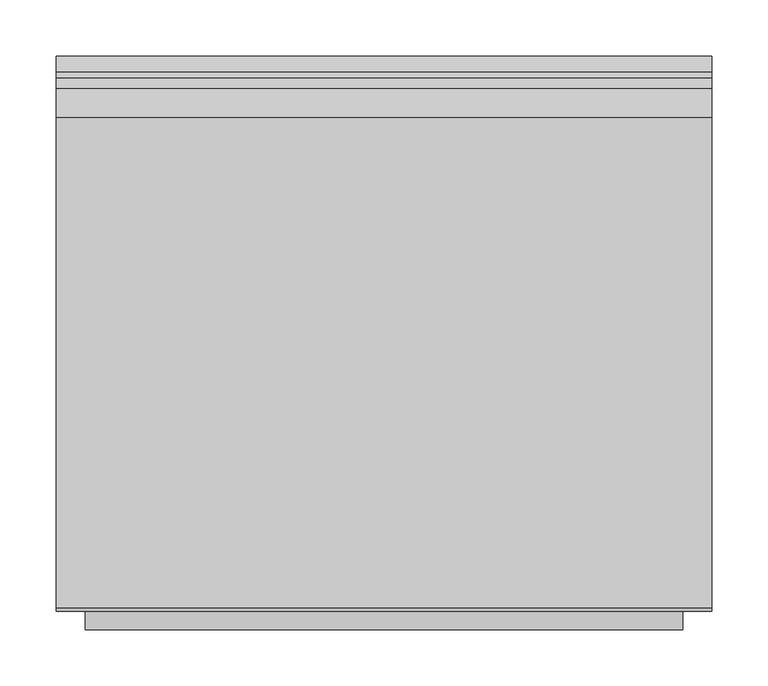
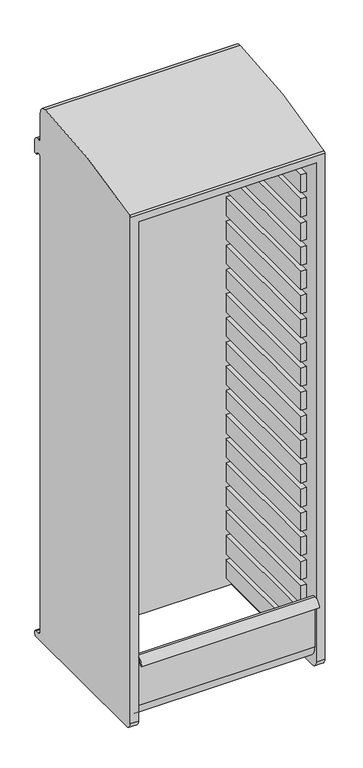
"""IFC4 building model written with IfcOpenShell, lengths in millimetres: furniture geometry."""

from ifc_helpers import new_model, si_unit, point, frame, frame_2d, origin, place, context, project, spatial, polyline, circle_curve, trimmed, segment, composite_curve, outline, extrude, source, transform, mapped, element, save
from ifc_brep_helpers import plane_surface, cylinder_surface, revolved_surface, advanced_brep


def furniture_45599920(model_context):
    return source(origin(), model_context, "Body", "SolidModel", [
        extrude(outline(polyline([(-249.2375, -195.2625), (-265.1125, -195.2625), (-265.1125, 192.0875), (-249.2375, 192.0875), (-249.2375, -195.2625)])), frame((0.0, 0.0, 552.45), z_axis=(0.0, 0.0, 1.0), x_axis=(1.0, 0.0, 0.0)), (0.0, 0.0, 1.0), 57.15),
        extrude(outline(polyline([(265.1125, -195.2625), (249.2375, -195.2625), (249.2375, 192.0875), (265.1125, 192.0875), (265.1125, -195.2625)])), frame((0.0, 0.0, 552.45), z_axis=(0.0, 0.0, 1.0), x_axis=(1.0, 0.0, 0.0)), (0.0, 0.0, 1.0), 57.15),
        extrude(outline(polyline([(-249.2375, -195.2625), (-265.1125, -195.2625), (-265.1125, 192.0875), (-249.2375, 192.0875), (-249.2375, -195.2625)])), frame((0.0, 0.0, 476.25), z_axis=(0.0, 0.0, 1.0), x_axis=(1.0, 0.0, 0.0)), (0.0, 0.0, 1.0), 57.15),
        extrude(outline(polyline([(265.1125, -195.2625), (249.2375, -195.2625), (249.2375, 192.0875), (265.1125, 192.0875), (265.1125, -195.2625)])), frame((0.0, 0.0, 476.25), z_axis=(0.0, 0.0, 1.0), x_axis=(1.0, 0.0, 0.0)), (0.0, 0.0, 1.0), 57.15),
        extrude(outline(polyline([(-249.2375, -195.2625), (-265.1125, -195.2625), (-265.1125, 192.0875), (-249.2375, 192.0875), (-249.2375, -195.2625)])), frame((0.0, 0.0, 400.05), z_axis=(0.0, 0.0, 1.0), x_axis=(1.0, 0.0, 0.0)), (0.0, 0.0, 1.0), 57.15),
        extrude(outline(polyline([(265.1125, -195.2625), (249.2375, -195.2625), (249.2375, 192.0875), (265.1125, 192.0875), (265.1125, -195.2625)])), frame((0.0, 0.0, 400.05), z_axis=(0.0, 0.0, 1.0), x_axis=(1.0, 0.0, 0.0)), (0.0, 0.0, 1.0), 57.15),
        extrude(outline(polyline([(-249.2375, -195.2625), (-265.1125, -195.2625), (-265.1125, 192.0875), (-249.2375, 192.0875), (-249.2375, -195.2625)])), frame((0.0, 0.0, 323.85), z_axis=(0.0, 0.0, 1.0), x_axis=(1.0, 0.0, 0.0)), (0.0, 0.0, 1.0), 57.15),
        extrude(outline(polyline([(265.1125, -195.2625), (249.2375, -195.2625), (249.2375, 192.0875), (265.1125, 192.0875), (265.1125, -195.2625)])), frame((0.0, 0.0, 323.85), z_axis=(0.0, 0.0, 1.0), x_axis=(1.0, 0.0, 0.0)), (0.0, 0.0, 1.0), 57.15),
        extrude(outline(polyline([(-249.2375, -195.2625), (-265.1125, -195.2625), (-265.1125, 192.0875), (-249.2375, 192.0875), (-249.2375, -195.2625)])), frame((0.0, 0.0, 857.25), z_axis=(0.0, 0.0, 1.0), x_axis=(1.0, 0.0, 0.0)), (0.0, 0.0, 1.0), 57.15),
        extrude(outline(polyline([(265.1125, -195.2625), (249.2375, -195.2625), (249.2375, 192.0875), (265.1125, 192.0875), (265.1125, -195.2625)])), frame((0.0, 0.0, 857.25), z_axis=(0.0, 0.0, 1.0), x_axis=(1.0, 0.0, 0.0)), (0.0, 0.0, 1.0), 57.15),
        extrude(outline(polyline([(-249.2375, -195.2625), (-265.1125, -195.2625), (-265.1125, 192.0875), (-249.2375, 192.0875), (-249.2375, -195.2625)])), frame((0.0, 0.0, 781.05), z_axis=(0.0, 0.0, 1.0), x_axis=(1.0, 0.0, 0.0)), (0.0, 0.0, 1.0), 57.15),
        extrude(outline(polyline([(265.1125, -195.2625), (249.2375, -195.2625), (249.2375, 192.0875), (265.1125, 192.0875), (265.1125, -195.2625)])), frame((0.0, 0.0, 781.05), z_axis=(0.0, 0.0, 1.0), x_axis=(1.0, 0.0, 0.0)), (0.0, 0.0, 1.0), 57.15),
        extrude(outline(polyline([(-249.2375, -195.2625), (-265.1125, -195.2625), (-265.1125, 192.0875), (-249.2375, 192.0875), (-249.2375, -195.2625)])), frame((0.0, 0.0, 704.85), z_axis=(0.0, 0.0, 1.0), x_axis=(1.0, 0.0, 0.0)), (0.0, 0.0, 1.0), 57.15),
        extrude(outline(polyline([(265.1125, -195.2625), (249.2375, -195.2625), (249.2375, 192.0875), (265.1125, 192.0875), (265.1125, -195.2625)])), frame((0.0, 0.0, 704.85), z_axis=(0.0, 0.0, 1.0), x_axis=(1.0, 0.0, 0.0)), (0.0, 0.0, 1.0), 57.15),
        extrude(outline(polyline([(-249.2375, -195.2625), (-265.1125, -195.2625), (-265.1125, 192.0875), (-249.2375, 192.0875), (-249.2375, -195.2625)])), frame((0.0, 0.0, 628.65), z_axis=(0.0, 0.0, 1.0), x_axis=(1.0, 0.0, 0.0)), (0.0, 0.0, 1.0), 57.15),
        extrude(outline(polyline([(265.1125, -195.2625), (249.2375, -195.2625), (249.2375, 192.0875), (265.1125, 192.0875), (265.1125, -195.2625)])), frame((0.0, 0.0, 628.65), z_axis=(0.0, 0.0, 1.0), x_axis=(1.0, 0.0, 0.0)), (0.0, 0.0, 1.0), 57.15),
        extrude(outline(polyline([(-249.2375, -195.2625), (-265.1125, -195.2625), (-265.1125, 192.0875), (-249.2375, 192.0875), (-249.2375, -195.2625)])), frame((0.0, 0.0, 1162.05), z_axis=(0.0, 0.0, 1.0), x_axis=(1.0, 0.0, 0.0)), (0.0, 0.0, 1.0), 57.15),
        extrude(outline(polyline([(265.1125, -195.2625), (249.2375, -195.2625), (249.2375, 192.0875), (265.1125, 192.0875), (265.1125, -195.2625)])), frame((0.0, 0.0, 1162.05), z_axis=(0.0, 0.0, 1.0), x_axis=(1.0, 0.0, 0.0)), (0.0, 0.0, 1.0), 57.15),
        extrude(outline(polyline([(-249.2375, -195.2625), (-265.1125, -195.2625), (-265.1125, 192.0875), (-249.2375, 192.0875), (-249.2375, -195.2625)])), frame((0.0, 0.0, 1085.85), z_axis=(0.0, 0.0, 1.0), x_axis=(1.0, 0.0, 0.0)), (0.0, 0.0, 1.0), 57.15),
        extrude(outline(polyline([(265.1125, -195.2625), (249.2375, -195.2625), (249.2375, 192.0875), (265.1125, 192.0875), (265.1125, -195.2625)])), frame((0.0, 0.0, 1085.85), z_axis=(0.0, 0.0, 1.0), x_axis=(1.0, 0.0, 0.0)), (0.0, 0.0, 1.0), 57.15),
        extrude(outline(polyline([(-249.2375, -195.2625), (-265.1125, -195.2625), (-265.1125, 192.0875), (-249.2375, 192.0875), (-249.2375, -195.2625)])), frame((0.0, 0.0, 1009.65), z_axis=(0.0, 0.0, 1.0), x_axis=(1.0, 0.0, 0.0)), (0.0, 0.0, 1.0), 57.15),
        extrude(outline(polyline([(265.1125, -195.2625), (249.2375, -195.2625), (249.2375, 192.0875), (265.1125, 192.0875), (265.1125, -195.2625)])), frame((0.0, 0.0, 1009.65), z_axis=(0.0, 0.0, 1.0), x_axis=(1.0, 0.0, 0.0)), (0.0, 0.0, 1.0), 57.15),
        extrude(outline(polyline([(-249.2375, -195.2625), (-265.1125, -195.2625), (-265.1125, 192.0875), (-249.2375, 192.0875), (-249.2375, -195.2625)])), frame((0.0, 0.0, 933.45), z_axis=(0.0, 0.0, 1.0), x_axis=(1.0, 0.0, 0.0)), (0.0, 0.0, 1.0), 57.15),
        extrude(outline(polyline([(265.1125, -195.2625), (249.2375, -195.2625), (249.2375, 192.0875), (265.1125, 192.0875), (265.1125, -195.2625)])), frame((0.0, 0.0, 933.45), z_axis=(0.0, 0.0, 1.0), x_axis=(1.0, 0.0, 0.0)), (0.0, 0.0, 1.0), 57.15),
        extrude(outline(polyline([(-249.2375, -195.2625), (-265.1125, -195.2625), (-265.1125, 192.0875), (-249.2375, 192.0875), (-249.2375, -195.2625)])), frame((0.0, 0.0, 1466.85), z_axis=(0.0, 0.0, 1.0), x_axis=(1.0, 0.0, 0.0)), (0.0, 0.0, 1.0), 57.15),
        extrude(outline(polyline([(265.1125, -195.2625), (249.2375, -195.2625), (249.2375, 192.0875), (265.1125, 192.0875), (265.1125, -195.2625)])), frame((0.0, 0.0, 1466.85), z_axis=(0.0, 0.0, 1.0), x_axis=(1.0, 0.0, 0.0)), (0.0, 0.0, 1.0), 57.15),
        extrude(outline(polyline([(-249.2375, -195.2625), (-265.1125, -195.2625), (-265.1125, 192.0875), (-249.2375, 192.0875), (-249.2375, -195.2625)])), frame((0.0, 0.0, 1390.65), z_axis=(0.0, 0.0, 1.0), x_axis=(1.0, 0.0, 0.0)), (0.0, 0.0, 1.0), 57.15),
        extrude(outline(polyline([(265.1125, -195.2625), (249.2375, -195.2625), (249.2375, 192.0875), (265.1125, 192.0875), (265.1125, -195.2625)])), frame((0.0, 0.0, 1390.65), z_axis=(0.0, 0.0, 1.0), x_axis=(1.0, 0.0, 0.0)), (0.0, 0.0, 1.0), 57.15),
        extrude(outline(polyline([(-249.2375, -195.2625), (-265.1125, -195.2625), (-265.1125, 192.0875), (-249.2375, 192.0875), (-249.2375, -195.2625)])), frame((0.0, 0.0, 1314.45), z_axis=(0.0, 0.0, 1.0), x_axis=(1.0, 0.0, 0.0)), (0.0, 0.0, 1.0), 57.15),
        extrude(outline(polyline([(265.1125, -195.2625), (249.2375, -195.2625), (249.2375, 192.0875), (265.1125, 192.0875), (265.1125, -195.2625)])), frame((0.0, 0.0, 1314.45), z_axis=(0.0, 0.0, 1.0), x_axis=(1.0, 0.0, 0.0)), (0.0, 0.0, 1.0), 57.15),
        extrude(outline(polyline([(-249.2375, -195.2625), (-265.1125, -195.2625), (-265.1125, 192.0875), (-249.2375, 192.0875), (-249.2375, -195.2625)])), frame((0.0, 0.0, 1238.25), z_axis=(0.0, 0.0, 1.0), x_axis=(1.0, 0.0, 0.0)), (0.0, 0.0, 1.0), 57.15),
        extrude(outline(polyline([(265.1125, -195.2625), (249.2375, -195.2625), (249.2375, 192.0875), (265.1125, 192.0875), (265.1125, -195.2625)])), frame((0.0, 0.0, 1238.25), z_axis=(0.0, 0.0, 1.0), x_axis=(1.0, 0.0, 0.0)), (0.0, 0.0, 1.0), 57.15),
        extrude(outline(polyline([(-249.2375, -195.2625), (-265.1125, -195.2625), (-265.1125, 192.0875), (-249.2375, 192.0875), (-249.2375, -195.2625)])), frame((0.0, 0.0, 1771.65), z_axis=(0.0, 0.0, 1.0), x_axis=(1.0, 0.0, 0.0)), (0.0, 0.0, 1.0), 57.15),
        extrude(outline(polyline([(265.1125, -195.2625), (249.2375, -195.2625), (249.2375, 192.0875), (265.1125, 192.0875), (265.1125, -195.2625)])), frame((0.0, 0.0, 1771.65), z_axis=(0.0, 0.0, 1.0), x_axis=(1.0, 0.0, 0.0)), (0.0, 0.0, 1.0), 57.15),
        extrude(outline(polyline([(-249.2375, -195.2625), (-265.1125, -195.2625), (-265.1125, 192.0875), (-249.2375, 192.0875), (-249.2375, -195.2625)])), frame((0.0, 0.0, 1695.45), z_axis=(0.0, 0.0, 1.0), x_axis=(1.0, 0.0, 0.0)), (0.0, 0.0, 1.0), 57.15),
        extrude(outline(polyline([(265.1125, -195.2625), (249.2375, -195.2625), (249.2375, 192.0875), (265.1125, 192.0875), (265.1125, -195.2625)])), frame((0.0, 0.0, 1695.45), z_axis=(0.0, 0.0, 1.0), x_axis=(1.0, 0.0, 0.0)), (0.0, 0.0, 1.0), 57.15),
        extrude(outline(polyline([(-249.2375, -195.2625), (-265.1125, -195.2625), (-265.1125, 192.0875), (-249.2375, 192.0875), (-249.2375, -195.2625)])), frame((0.0, 0.0, 1619.25), z_axis=(0.0, 0.0, 1.0), x_axis=(1.0, 0.0, 0.0)), (0.0, 0.0, 1.0), 57.15),
        extrude(outline(polyline([(265.1125, -195.2625), (249.2375, -195.2625), (249.2375, 192.0875), (265.1125, 192.0875), (265.1125, -195.2625)])), frame((0.0, 0.0, 1619.25), z_axis=(0.0, 0.0, 1.0), x_axis=(1.0, 0.0, 0.0)), (0.0, 0.0, 1.0), 57.15),
        extrude(outline(polyline([(-249.2375, -195.2625), (-265.1125, -195.2625), (-265.1125, 192.0875), (-249.2375, 192.0875), (-249.2375, -195.2625)])), frame((0.0, 0.0, 1543.05), z_axis=(0.0, 0.0, 1.0), x_axis=(1.0, 0.0, 0.0)), (0.0, 0.0, 1.0), 57.15),
        extrude(outline(polyline([(265.1125, -195.2625), (249.2375, -195.2625), (249.2375, 192.0875), (265.1125, 192.0875), (265.1125, -195.2625)])), frame((0.0, 0.0, 1543.05), z_axis=(0.0, 0.0, 1.0), x_axis=(1.0, 0.0, 0.0)), (0.0, 0.0, 1.0), 57.15),
        advanced_brep(
        [(290.5125, -246.0625, 317.5), (290.5125, -227.0125, 298.45), (290.5125, 239.7125, 298.45), (290.5125, 246.0625, 304.8), (290.5125, 246.0625, 311.15), (290.5125, 239.7125, 317.5), (290.5125, 228.6, 317.5), (290.5125, 217.4875, 328.6125), (290.5125, 217.4875, 1820.4282764), (290.5125, 236.7359375, 1820.4282764), (290.5125, 246.0625, 1820.4282764), (290.5125, 246.0625, 1858.8967496), (290.5125, 232.4695312, 1872.4897183), (290.5125, 227.1117187, 1872.4897183), (290.5125, 217.4875, 1882.1139371), (290.5125, 217.4875, 1962.15), (290.5125, 192.0875, 1987.55), (290.5125, -242.8127937, 1918.698234), (290.5125, -246.0625, 1913.4436651), (265.1125, -246.0625, 317.5), (265.1125, -227.0125, 298.45), (-290.5125, -246.0625, 317.5), (-290.5125, -227.0125, 298.45), (-265.1125, -227.0125, 298.45), (-265.1125, -246.0625, 317.5), (265.1125, 192.0875, 298.45), (-265.1125, 192.0875, 298.45), (-290.5125, 239.7125, 298.45), (-290.5125, 246.0625, 304.8), (-290.5125, 246.0625, 311.15), (-290.5125, 239.7125, 317.5), (-290.5125, 228.6, 317.5), (-290.5125, 217.4875, 328.6125), (-290.5125, 217.4875, 1820.4282764), (-290.5125, -246.0625, 1913.4436651), (-265.1125, -246.0625, 1892.3), (265.1125, -246.0625, 1892.3), (-290.5125, -242.8127937, 1918.698234), (-290.5125, 192.0875, 1987.55), (-290.5125, 217.4875, 1962.15), (-290.5125, 217.4875, 1882.1139371), (-290.5125, 227.1117187, 1872.4897183), (-290.5125, 232.4695312, 1872.4897183), (-290.5125, 246.0625, 1858.8967496), (-290.5125, 246.0625, 1820.4282764), (-290.5125, 236.7359375, 1820.4282764), (265.1125, 192.0875, 1956.3783426), (-265.1125, 192.0875, 1956.3783426)],
        [
            (0, 1, circle_curve(frame((290.5125, -227.0125, 317.5), z_axis=(1.0, 0.0, 0.0), x_axis=(0.0, 1.0, 0.0)), 19.05)),
            (1, 2),
            (2, 3, circle_curve(frame((290.5125, 239.7125, 304.8), z_axis=(1.0, 0.0, 0.0), x_axis=(0.0, 1.0, 0.0)), 6.35)),
            (3, 4),
            (4, 5, circle_curve(frame((290.5125, 239.7125, 311.15), z_axis=(1.0, 0.0, 0.0), x_axis=(0.0, 1.0, 0.0)), 6.35)),
            (5, 6),
            (6, 7, circle_curve(frame((290.5125, 228.6, 328.6125), z_axis=(-1.0, 0.0, 0.0), x_axis=(0.0, 1.0, 0.0)), 11.1125)),
            (7, 8),
            (8, 9, circle_curve(frame((290.5125, 227.1117187, 1820.4282764), z_axis=(-1.0, 0.0, 0.0), x_axis=(0.0, 1.0, 0.0)), 9.6242188)),
            (9, 10),
            (10, 11),
            (11, 12, circle_curve(frame((290.5125, 232.4695312, 1858.8967496), z_axis=(1.0, 0.0, 0.0), x_axis=(0.0, 1.0, 0.0)), 13.5929687)),
            (12, 13),
            (13, 14, circle_curve(frame((290.5125, 227.1117187, 1882.1139371), z_axis=(-1.0, 0.0, 0.0), x_axis=(0.0, 1.0, 0.0)), 9.6242187)),
            (14, 15),
            (15, 16, circle_curve(frame((290.5125, 192.0875, 1962.15), z_axis=(1.0, 0.0, 0.0), x_axis=(0.0, 1.0, 0.0)), 25.4)),
            (16, 17, circle_curve(frame((290.5125, 219.0245932, 409.4588105), z_axis=(1.0, 0.0, 0.0), x_axis=(0.0, 1.0, 0.0)), 1578.321073)),
            (17, 18, circle_curve(frame((290.5125, -240.1894945, 1913.4436651), z_axis=(1.0, 0.0, 0.0), x_axis=(0.0, 1.0, 0.0)), 5.8730055)),
            (18, 0),
            (0, 19),
            (19, 20, circle_curve(frame((265.1125, -227.0125, 317.5), z_axis=(1.0, 0.0, 0.0), x_axis=(0.0, 1.0, 0.0)), 19.05)),
            (20, 1),
            (21, 22, circle_curve(frame((-290.5125, -227.0125, 317.5), z_axis=(1.0, 0.0, 0.0), x_axis=(0.0, 1.0, 0.0)), 19.05)),
            (22, 23),
            (23, 24, circle_curve(frame((-265.1125, -227.0125, 317.5), z_axis=(-1.0, 0.0, 0.0), x_axis=(0.0, 1.0, 0.0)), 19.05)),
            (24, 21),
            (20, 25),
            (25, 26),
            (26, 23),
            (22, 27),
            (27, 2),
            (27, 28, circle_curve(frame((-290.5125, 239.7125, 304.8), z_axis=(1.0, 0.0, 0.0), x_axis=(0.0, 1.0, 0.0)), 6.35)),
            (28, 3),
            (28, 29),
            (29, 4),
            (29, 30, circle_curve(frame((-290.5125, 239.7125, 311.15), z_axis=(1.0, 0.0, 0.0), x_axis=(0.0, 1.0, 0.0)), 6.35)),
            (30, 5),
            (30, 31),
            (31, 6),
            (31, 32, circle_curve(frame((-290.5125, 228.6, 328.6125), z_axis=(-1.0, 0.0, 0.0), x_axis=(0.0, 1.0, 0.0)), 11.1125)),
            (32, 7),
            (32, 33),
            (33, 8),
            (18, 34),
            (34, 21),
            (24, 35),
            (35, 36),
            (36, 19),
            (34, 37, circle_curve(frame((-290.5125, -240.1894945, 1913.4436651), z_axis=(-1.0, 0.0, 0.0), x_axis=(0.0, 1.0, 0.0)), 5.8730055)),
            (37, 38, circle_curve(frame((-290.5125, 219.0245932, 409.4588105), z_axis=(-1.0, 0.0, 0.0), x_axis=(0.0, 1.0, 0.0)), 1578.321073)),
            (38, 39, circle_curve(frame((-290.5125, 192.0875, 1962.15), z_axis=(-1.0, 0.0, 0.0), x_axis=(0.0, 1.0, 0.0)), 25.4)),
            (39, 40),
            (40, 41, circle_curve(frame((-290.5125, 227.1117187, 1882.1139371), z_axis=(1.0, 0.0, 0.0), x_axis=(0.0, 1.0, 0.0)), 9.6242188)),
            (41, 42),
            (42, 43, circle_curve(frame((-290.5125, 232.4695312, 1858.8967496), z_axis=(-1.0, 0.0, 0.0), x_axis=(0.0, 1.0, 0.0)), 13.5929688)),
            (43, 44),
            (44, 45),
            (45, 33, circle_curve(frame((-290.5125, 227.1117187, 1820.4282764), z_axis=(1.0, 0.0, 0.0), x_axis=(0.0, 1.0, 0.0)), 9.6242188)),
            (36, 46),
            (46, 25),
            (26, 47),
            (47, 35),
            (46, 47),
            (45, 9),
            (44, 10),
            (43, 11),
            (42, 12),
            (41, 13),
            (40, 14),
            (39, 15),
            (38, 16),
            (37, 17),
        ],
        [
            plane_surface(frame((290.5125, -207.9625, 317.5), z_axis=(1.0, 0.0, 0.0), x_axis=(0.0, 0.0, 1.0))),
            cylinder_surface(frame((-290.5125, -227.0125, 317.5), z_axis=(1.0, 0.0, 0.0), x_axis=(0.0, 1.0, 0.0)), 19.05),
            plane_surface(frame((290.5125, -227.0125, 298.45), z_axis=(0.0, 0.0, -1.0), x_axis=(-1.0, 0.0, 0.0))),
            cylinder_surface(frame((-290.5125, 239.7125, 304.8), z_axis=(1.0, 0.0, 0.0), x_axis=(0.0, 1.0, 0.0)), 6.35),
            plane_surface(frame((290.5125, 246.0625, 304.8), z_axis=(0.0, 1.0, 0.0), x_axis=(-1.0, 0.0, 0.0))),
            cylinder_surface(frame((-290.5125, 239.7125, 311.15), z_axis=(1.0, 0.0, 0.0), x_axis=(0.0, 1.0, 0.0)), 6.35),
            plane_surface(frame((290.5125, 239.7125, 317.5), z_axis=(0.0, 0.0, 1.0), x_axis=(-1.0, 0.0, 0.0))),
            revolved_surface(polyline([(-290.5125, 239.7125, 328.6125), (290.5125, 239.7125, 328.6125)]), (-290.5125, 228.6, 328.6125), (-1.0, 0.0, 0.0)),
            plane_surface(frame((290.5125, 217.4875, 328.6125), z_axis=(0.0, 1.0, 0.0), x_axis=(-1.0, 0.0, 0.0))),
            plane_surface(frame((290.5125, -246.0625, 1913.4436651), z_axis=(0.0, -1.0, -1.1655566115944127e-12), x_axis=(-1.0, 0.0, 0.0))),
            plane_surface(frame((-290.5125, -207.9625, 317.5), z_axis=(-1.0, 0.0, 0.0), x_axis=(0.0, 0.0, -1.0))),
            plane_surface(frame((265.1125, 192.0875, 298.45), z_axis=(-1.0, 0.0, 0.0), x_axis=(0.0, 0.0, 1.0))),
            plane_surface(frame((-265.1125, 192.0875, 298.45), z_axis=(1.0, 0.0, 0.0), x_axis=(0.0, 0.0, -1.0))),
            plane_surface(frame((265.1125, 192.0875, 298.45), z_axis=(0.0, -1.0, 0.0), x_axis=(-1.0, 0.0, 0.0))),
            revolved_surface(polyline([(-290.5125, 236.7359375, 1820.4282764), (290.5125, 236.7359375, 1820.4282764)]), (-290.5125, 227.1117187, 1820.4282764), (-1.0, 0.0, 0.0)),
            plane_surface(frame((290.5125, 236.7359375, 1820.4282764), z_axis=(0.0, 0.0, -1.0), x_axis=(-1.0, 0.0, 0.0))),
            plane_surface(frame((290.5125, 246.0625, 1820.4282764), z_axis=(0.0, 1.0, 0.0), x_axis=(-1.0, 0.0, 0.0))),
            cylinder_surface(frame((-290.5125, 232.4695312, 1858.8967496), z_axis=(1.0, 0.0, 0.0), x_axis=(0.0, 1.0, 0.0)), 13.5929687),
            plane_surface(frame((290.5125, 232.4695312, 1872.4897183), z_axis=(0.0, 0.0, 1.0), x_axis=(-1.0, 0.0, 0.0))),
            revolved_surface(polyline([(-290.5125, 236.7359375, 1882.1139371), (290.5125, 236.7359375, 1882.1139371)]), (-290.5125, 227.1117187, 1882.1139371), (-1.0, 0.0, 0.0)),
            plane_surface(frame((290.5125, 217.4875, 1882.1139371), z_axis=(0.0, 1.0, 0.0), x_axis=(-1.0, 0.0, 0.0))),
            cylinder_surface(frame((-290.5125, 192.0875, 1962.15), z_axis=(1.0, 0.0, 0.0), x_axis=(0.0, 1.0, 0.0)), 25.4),
            cylinder_surface(frame((-290.5125, 219.0245932, 409.4588105), z_axis=(1.0, 0.0, 0.0), x_axis=(0.0, 1.0, 0.0)), 1578.321073),
            cylinder_surface(frame((-290.5125, -240.1894945, 1913.4436651), z_axis=(1.0, 0.0, 0.0), x_axis=(0.0, 1.0, 0.0)), 5.8730055),
            plane_surface(frame((265.1125, 192.0875, 1956.3783426), z_axis=(0.0, 0.14470815549055335, -0.9894743805346967), x_axis=(-1.0, 0.0, 0.0))),
        ],
        [
            (0, [[1, 2, 3, 4, 5, 6, 7, 8, 9, 10, 11, 12, 13, 14, 15, 16, 17, 18, 19]]),
            (1, [[-1, 20, 21, 22]]),
            (1, [[23, 24, 25, 26]]),
            (2, [[-2, -22, 27, 28, 29, -24, 30, 31]]),
            (3, [[-3, -31, 32, 33]]),
            (4, [[-4, -33, 34, 35]]),
            (5, [[-5, -35, 36, 37]]),
            (6, [[-6, -37, 38, 39]]),
            (7, [[-7, -39, 40, 41]]),
            (8, [[-8, -41, 42, 43]]),
            (9, [[-19, 44, 45, -26, 46, 47, 48, -20]]),
            (10, [[-45, 49, 50, 51, 52, 53, 54, 55, 56, 57, 58, -42, -40, -38, -36, -34, -32, -30, -23]]),
            (11, [[59, 60, -27, -21, -48]]),
            (12, [[61, 62, -46, -25, -29]]),
            (13, [[-60, 63, -61, -28]]),
            (14, [[-9, -43, -58, 64]]),
            (15, [[-10, -64, -57, 65]]),
            (16, [[-11, -65, -56, 66]]),
            (17, [[-12, -66, -55, 67]]),
            (18, [[-13, -67, -54, 68]]),
            (19, [[-14, -68, -53, 69]]),
            (20, [[-15, -69, -52, 70]]),
            (21, [[-16, -70, -51, 71]]),
            (22, [[-17, -71, -50, 72]]),
            (23, [[-18, -72, -49, -44]]),
            (24, [[-59, -47, -62, -63]]),
        ],
    ),
        extrude(outline(composite_curve([segment(trimmed(circle_curve(frame_2d((-195.2625, 361.95)), 38.1), [point((-233.3625, 361.95))], [point((-195.2625, 323.85))], True, "CARTESIAN"), True, "CONTINUOUS"), segment(polyline([(-195.2625, 323.85), (0.0, 323.85), (0.0, 317.5), (-195.2625, 317.5)]), True, "CONTINUOUS"), segment(trimmed(circle_curve(frame_2d((-195.2625, 361.95)), 44.45), [point((-195.2625, 317.5))], [point((-239.7125, 361.95))], False, "CARTESIAN"), True, "CONTINUOUS"), segment(polyline([(-239.7125, 361.95), (-239.7125, 514.35)]), True, "CONTINUOUS"), segment(trimmed(circle_curve(frame_2d((-239.7125, 498.475)), 15.875), [point((-239.7125, 514.35))], [point((-255.5875, 498.475))], True, "CARTESIAN"), True, "CONTINUOUS"), segment(polyline([(-255.5875, 498.475), (-261.9375, 498.475)]), True, "CONTINUOUS"), segment(trimmed(circle_curve(frame_2d((-239.7125, 498.475)), 22.225), [point((-261.9375, 498.475))], [point((-239.7125, 520.7))], False, "CARTESIAN"), True, "CONTINUOUS"), segment(polyline([(-239.7125, 520.7), (-233.3625, 520.7), (-233.3625, 361.95)]), True, "CONTINUOUS")], self_intersect=False)), frame((-265.1125, 0.0, 0.0), z_axis=(1.0, 0.0, 0.0), x_axis=(0.0, 1.0, 0.0)), (0.0, 0.0, 1.0), 530.225),
    ])


if __name__ == "__main__":
    model = new_model("IFC4")
    model_context = context("Model", 3, world=origin())
    ifc_project = project(units=[si_unit("LENGTHUNIT", "METRE", prefix="MILLI")], contexts=[model_context])
    site = spatial("IfcSite", under=ifc_project)
    building = spatial("IfcBuilding", under=site)
    placement = place(None, origin())
    furniture_shape = furniture_45599920(model_context)
    element("IfcFurniture", 1, at=placement, inside=building, context=model_context, shape_type="MappedRepresentation", body=[
        mapped(furniture_shape, transform((0.0, 0.0, 0.0), x_axis=(1.0, 0.0, 0.0), y_axis=(0.0, 1.0, 0.0), z_axis=(0.0, 0.0, 1.0))),
    ])
    save(model, "model.ifc")
